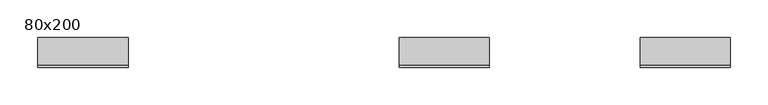
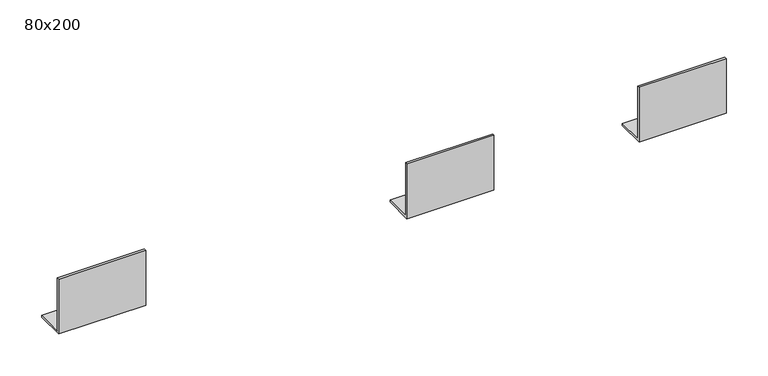
"""IFC4 building model written with IfcOpenShell, lengths in millimetres: proxy geometry, 80x200."""

from ifc_helpers import new_model, si_unit, frame, origin, place, context, project, spatial, polyline, outline, extrude, source, transform, mapped, element, save


def proxy_80x200_89f3be94(model_context):
    return source(origin(), model_context, "Body", "SweptSolid", [
        extrude(outline(polyline([(40.0, 0.0), (0.0, 0.0), (0.0, 80.0), (3.0, 80.0), (3.0, 3.0), (40.0, 3.0), (40.0, 0.0)])), frame((800.0, 0.0, 0.0), z_axis=(1.0, 0.0, 0.0), x_axis=(0.0, 1.0, 0.0)), (0.0, 0.0, 1.0), 120.0),
        extrude(outline(polyline([(40.0, 0.0), (0.0, 0.0), (0.0, 80.0), (3.0, 80.0), (3.0, 3.0), (40.0, 3.0), (40.0, 0.0)])), frame((480.0, 0.0, 0.0), z_axis=(1.0, 0.0, 0.0), x_axis=(0.0, 1.0, 0.0)), (0.0, 0.0, 1.0), 120.0),
        extrude(outline(polyline([(40.0, 0.0), (0.0, 0.0), (0.0, 80.0), (3.0, 80.0), (3.0, 3.0), (40.0, 3.0), (40.0, 0.0)])), frame((0.0, 0.0, 0.0), z_axis=(1.0, 0.0, 0.0), x_axis=(0.0, 1.0, 0.0)), (0.0, 0.0, 1.0), 120.0),
    ])


if __name__ == "__main__":
    model = new_model("IFC4")
    model_context = context("Model", 3, world=origin())
    ifc_project = project(units=[si_unit("LENGTHUNIT", "METRE", prefix="MILLI")], contexts=[model_context])
    site = spatial("IfcSite", under=ifc_project)
    building = spatial("IfcBuilding", under=site)
    placement = place(None, origin())
    proxy_80x200_shape = proxy_80x200_89f3be94(model_context)
    element("IfcBuildingElementProxy", 1, Name="80x200", ObjectType="80x200", at=placement, inside=building, context=model_context, shape_type="MappedRepresentation", body=[
        mapped(proxy_80x200_shape, transform((0.0, 0.0, 0.0), x_axis=(1.0, 0.0, 0.0), y_axis=(0.0, 1.0, 0.0), z_axis=(0.0, 0.0, 1.0))),
    ])
    save(model, "model.ifc")
